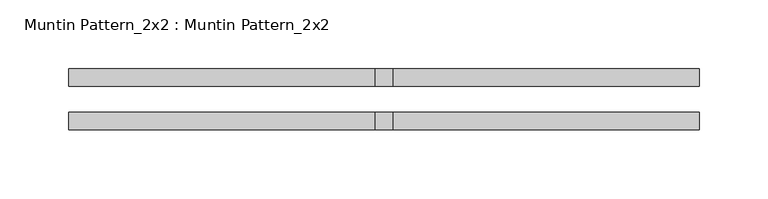
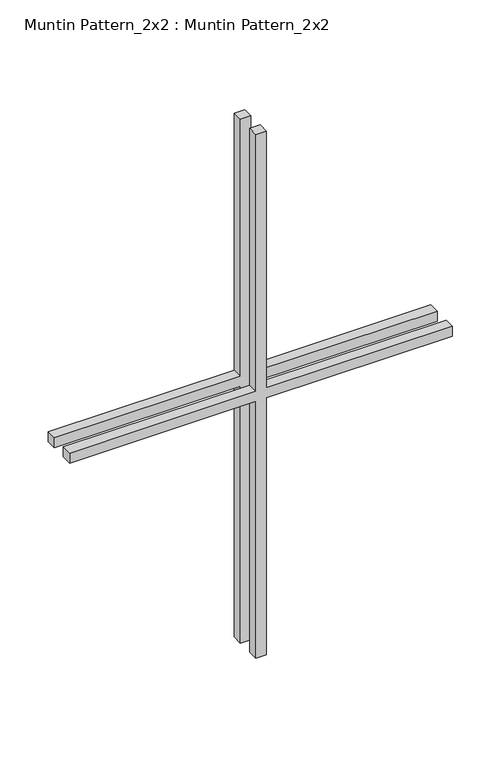
"""IFC4 building model written with IfcOpenShell, lengths in millimetres: proxy geometry, Muntin Pattern_2x2 : Muntin Pattern_2x2."""

from ifc_helpers import new_model, si_unit, frame, origin, place, context, project, spatial, polyline, outline, extrude, source, transform, mapped, element, save


def muntin_pattern_2x2_muntin_pattern_2x2_e36d7177(model_context):
    return source(origin(), model_context, "Body", "SweptSolid", [
        extrude(outline(polyline([(338.1375, -6.35), (338.1375, -229.39375), (325.4375, -229.39375), (325.4375, -6.35), (0.0, -6.35), (0.0, 6.35), (325.4375, 6.35), (325.4375, 229.39375), (338.1375, 229.39375), (338.1375, 6.35), (663.575, 6.35), (663.575, -6.35), (338.1375, -6.35)])), frame((0.0, 9.525, 0.0), z_axis=(0.0, 1.0, 0.0), x_axis=(0.0, 0.0, 1.0)), (0.0, 0.0, 1.0), 12.7),
        extrude(outline(polyline([(338.1375, -6.35), (338.1375, -229.39375), (325.4375, -229.39375), (325.4375, -6.35), (0.0, -6.35), (0.0, 6.35), (325.4375, 6.35), (325.4375, 229.39375), (338.1375, 229.39375), (338.1375, 6.35), (663.575, 6.35), (663.575, -6.35), (338.1375, -6.35)])), frame((0.0, -22.225, 0.0), z_axis=(0.0, 1.0, 0.0), x_axis=(0.0, 0.0, 1.0)), (0.0, 0.0, 1.0), 12.7),
    ])


if __name__ == "__main__":
    model = new_model("IFC4")
    model_context = context("Model", 3, world=origin())
    ifc_project = project(units=[si_unit("LENGTHUNIT", "METRE", prefix="MILLI")], contexts=[model_context])
    site = spatial("IfcSite", under=ifc_project)
    building = spatial("IfcBuilding", under=site)
    placement = place(None, origin())
    muntin_pattern_2x2_muntin_pattern_2x2_shape = muntin_pattern_2x2_muntin_pattern_2x2_e36d7177(model_context)
    element("IfcBuildingElementProxy", 1, Name="Muntin Pattern_2x2 : Muntin Pattern_2x2", ObjectType="Muntin Pattern_2x2 : Muntin Pattern_2x2", at=placement, inside=building, context=model_context, shape_type="MappedRepresentation", body=[
        mapped(muntin_pattern_2x2_muntin_pattern_2x2_shape, transform((0.0, 0.0, 0.0), x_axis=(1.0, 0.0, 0.0), y_axis=(0.0, 1.0, 0.0), z_axis=(0.0, 0.0, 1.0))),
    ])
    save(model, "model.ifc")
